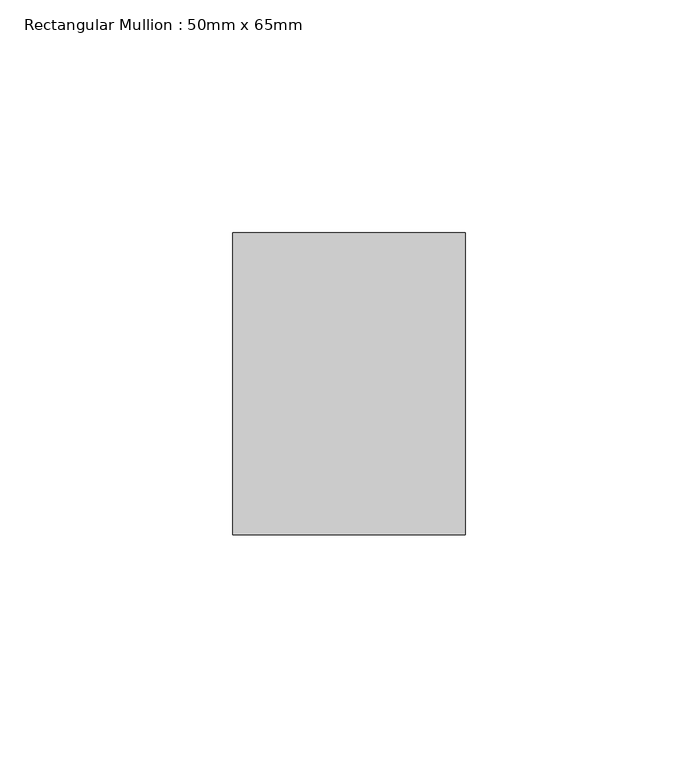
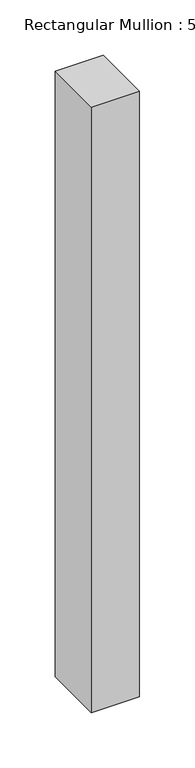
"""IFC4 building model written with IfcOpenShell, lengths in millimetres: member geometry, Rectangular Mullion : 50mm x 65mm."""

from ifc_helpers import new_model, si_unit, frame, origin, place, context, project, spatial, polyline, outline, extrude, source, transform, mapped, element, save


def rectangular_mullion_50mm_x_65mm_74d237a9(model_context):
    return source(origin(), model_context, "Body", "SweptSolid", [
        extrude(outline(polyline([(25.0, 32.5), (25.0, -32.5), (-25.0, -32.5), (-25.0, 32.5), (25.0, 32.5)])), frame((0.0, 0.0, -667.5403357), z_axis=(0.0, 0.0, 1.0), x_axis=(1.0, 0.0, 0.0)), (0.0, 0.0, 1.0), 667.5403357),
    ])


if __name__ == "__main__":
    model = new_model("IFC4")
    model_context = context("Model", 3, world=origin())
    ifc_project = project(units=[si_unit("LENGTHUNIT", "METRE", prefix="MILLI")], contexts=[model_context])
    site = spatial("IfcSite", under=ifc_project)
    building = spatial("IfcBuilding", under=site)
    placement = place(None, origin())
    rectangular_mullion_50mm_x_65mm_shape = rectangular_mullion_50mm_x_65mm_74d237a9(model_context)
    element("IfcMember", 1, ObjectType="Rectangular Mullion : 50mm x 65mm", at=placement, inside=building, context=model_context, shape_type="MappedRepresentation", body=[
        mapped(rectangular_mullion_50mm_x_65mm_shape, transform((0.0, 0.0, 0.0), x_axis=(1.0, 0.0, 0.0), y_axis=(0.0, 1.0, 0.0), z_axis=(0.0, 0.0, 1.0))),
    ])
    save(model, "model.ifc")
